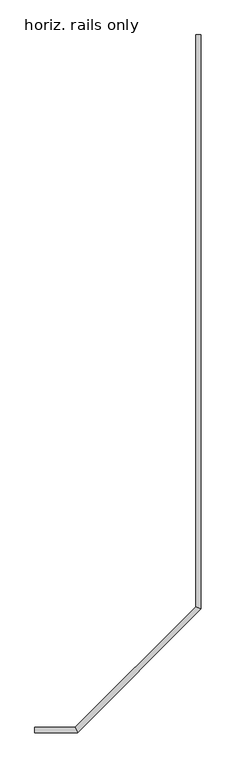
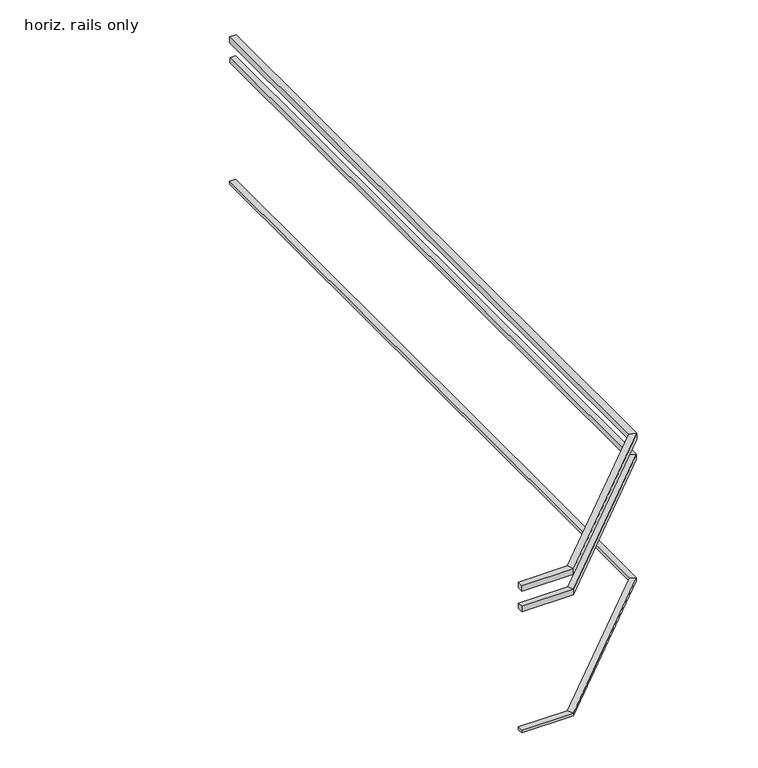
"""IFC4 building model written with IfcOpenShell, lengths in millimetres: railing geometry, horiz. rails only."""

from ifc_helpers import new_model, si_unit, origin, place, context, project, spatial, faceted_brep, source, transform, mapped, element, save


def horiz_rails_only_bf24f94a(model_context):
    return source(origin(), model_context, "Body", "Brep", [
        faceted_brep([(6659.6452321, 1259.8419973, 1028.7), (6659.6452321, 1259.8419973, 1066.8), (6659.6452321, 1299.5294973, 1066.8), (6659.6452321, 1299.5294973, 1028.7), (6985.8160631, 1259.8419973, 1028.7), (6985.8160631, 1259.8419973, 1066.8), (6969.3769623, 1299.5294973, 1066.8), (6969.3769623, 1299.5294973, 1028.7), (7930.4389821, 2204.4649163, 1028.7), (7930.4389821, 2204.4649163, 1066.8), (7890.7514821, 2220.9040171, 1066.8), (7890.7514821, 2220.9040171, 1028.7), (7930.4389821, 6594.6357473, 1028.7), (7890.7514821, 6594.6357473, 1028.7), (7890.7514821, 6594.6357473, 1066.8), (7930.4389821, 6594.6357473, 1066.8)], [[[0, 1, 2, 3]], [[1, 0, 4, 5]], [[2, 1, 5, 6]], [[3, 2, 6, 7]], [[0, 3, 7, 4]], [[5, 4, 8, 9]], [[6, 5, 9, 10]], [[7, 6, 10, 11]], [[4, 7, 11, 8]], [[12, 13, 14, 15]], [[9, 8, 12, 15]], [[10, 9, 15, 14]], [[11, 10, 14, 13]], [[8, 11, 13, 12]]]),
        faceted_brep([(6659.6452321, 1261.9752005, 893.1671875), (6659.6452321, 1261.9752005, 927.1), (6659.6452321, 1297.3962942, 927.1), (6659.6452321, 1297.3962942, 893.1671875), (6984.9324614, 1261.9752005, 893.1671875), (6984.9324614, 1261.9752005, 927.1), (6970.260564, 1297.3962942, 927.1), (6970.260564, 1297.3962942, 893.1671875), (7928.305779, 2205.348518, 893.1671875), (7928.305779, 2205.348518, 927.1), (7892.8846852, 2220.0204154, 927.1), (7892.8846852, 2220.0204154, 893.1671875), (7928.305779, 6594.6357473, 893.1671875), (7892.8846852, 6594.6357473, 893.1671875), (7892.8846852, 6594.6357473, 927.1), (7928.305779, 6594.6357473, 927.1)], [[[0, 1, 2, 3]], [[1, 0, 4, 5]], [[2, 1, 5, 6]], [[3, 2, 6, 7]], [[0, 3, 7, 4]], [[5, 4, 8, 9]], [[6, 5, 9, 10]], [[7, 6, 10, 11]], [[4, 7, 11, 8]], [[12, 13, 14, 15]], [[9, 8, 12, 15]], [[10, 9, 15, 14]], [[11, 10, 14, 13]], [[8, 11, 13, 12]]]),
        faceted_brep([(6659.6452321, 1298.0043067, 82.55), (6659.6452321, 1261.367188, 82.55), (6659.6452321, 1261.367188, 101.6127), (6659.6452321, 1298.0043067, 101.6127), (6970.0087169, 1298.0043067, 82.55), (6985.1843084, 1261.367188, 82.55), (6985.1843084, 1261.367188, 101.6127), (6970.0087169, 1298.0043067, 101.6127), (7892.2766727, 2220.2722625, 82.55), (7928.9137915, 2205.096671, 82.55), (7928.9137915, 2205.096671, 101.6127), (7892.2766727, 2220.2722625, 101.6127), (7892.2766727, 6594.6357473, 82.55), (7892.2766727, 6594.6357473, 101.6127), (7928.9137915, 6594.6357473, 101.6127), (7928.9137915, 6594.6357473, 82.55)], [[[0, 1, 2, 3]], [[1, 0, 4, 5]], [[2, 1, 5, 6]], [[3, 2, 6, 7]], [[0, 3, 7, 4]], [[5, 4, 8, 9]], [[6, 5, 9, 10]], [[7, 6, 10, 11]], [[4, 7, 11, 8]], [[12, 13, 14, 15]], [[9, 8, 12, 15]], [[10, 9, 15, 14]], [[11, 10, 14, 13]], [[8, 11, 13, 12]]]),
    ])


if __name__ == "__main__":
    model = new_model("IFC4")
    model_context = context("Model", 3, world=origin())
    ifc_project = project(units=[si_unit("LENGTHUNIT", "METRE", prefix="MILLI")], contexts=[model_context])
    site = spatial("IfcSite", under=ifc_project)
    building = spatial("IfcBuilding", under=site)
    placement = place(None, origin())
    horiz_rails_only_shape = horiz_rails_only_bf24f94a(model_context)
    element("IfcRailing", 1, ObjectType="horiz. rails only", at=placement, inside=building, context=model_context, shape_type="MappedRepresentation", body=[
        mapped(horiz_rails_only_shape, transform((0.0, 0.0, 0.0), x_axis=(1.0, 0.0, 0.0), y_axis=(0.0, 1.0, 0.0), z_axis=(0.0, 0.0, 1.0))),
    ])
    save(model, "model.ifc")
